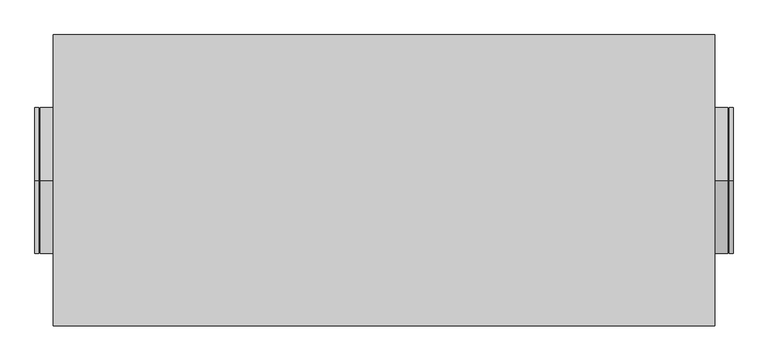
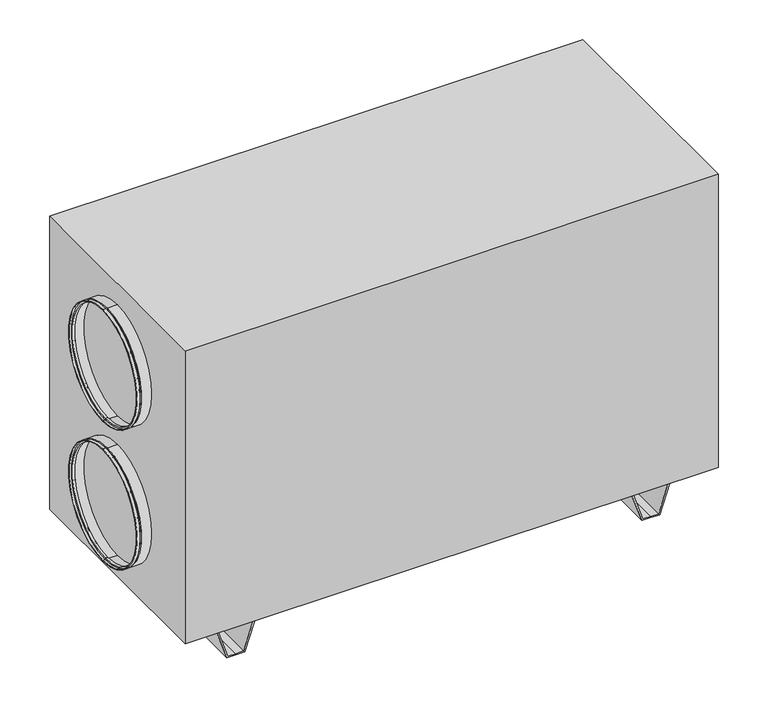
"""IFC4 building model written with IfcOpenShell, lengths in millimetres: proxy geometry."""

from ifc_helpers import new_model, si_unit, frame, origin, place, context, project, spatial, polyline, circle_curve, outline, extrude, source, transform, mapped, element, save
from ifc_brep_helpers import plane_surface, cylinder_surface, revolved_surface, advanced_brep


def mechanical_equipment_c5ae9dd8(model_context):
    return source(origin(), model_context, "Body", "SolidModel", [
        advanced_brep(
        [(942.5, 0.0, 214.0), (942.5, 0.0, 614.0), (952.5, 0.0, 614.0), (952.5, 0.0, 214.0), (942.5, 0.0, 219.0), (942.5, 0.0, 609.0), (937.5, 0.0, 219.0), (937.5, 0.0, 609.0), (937.5, 0.0, 214.0), (937.5, 0.0, 614.0), (902.5, 0.0, 214.0), (902.5, 0.0, 614.0), (902.5, 0.0, 216.0), (902.5, 0.0, 612.0), (935.5, 0.0, 216.0), (935.5, 0.0, 612.0), (935.5, 0.0, 221.0), (935.5, 0.0, 607.0), (944.5, 0.0, 221.0), (944.5, 0.0, 607.0), (944.5, 0.0, 216.0), (944.5, 0.0, 612.0), (952.5, 0.0, 216.0), (952.5, 0.0, 612.0)],
        [
            (0, 1, circle_curve(frame((942.5, 0.0, 414.0), z_axis=(1.0, 0.0, 0.0), x_axis=(0.0, 0.0, 1.0)), 200.0)),
            (1, 2),
            (2, 3, circle_curve(frame((952.5, 0.0, 414.0), z_axis=(-1.0, 0.0, 0.0), x_axis=(0.0, 0.0, 1.0)), 200.0)),
            (3, 0),
            (1, 0, circle_curve(frame((942.5, 0.0, 414.0), z_axis=(1.0, 0.0, 0.0), x_axis=(0.0, 0.0, 1.0)), 200.0)),
            (3, 2, circle_curve(frame((952.5, 0.0, 414.0), z_axis=(-1.0, 0.0, 0.0), x_axis=(0.0, 0.0, 1.0)), 200.0)),
            (4, 5, circle_curve(frame((942.5, 0.0, 414.0), z_axis=(1.0, 0.0, 0.0), x_axis=(0.0, 0.0, 1.0)), 195.0)),
            (5, 1),
            (0, 4),
            (5, 4, circle_curve(frame((942.5, 0.0, 414.0), z_axis=(1.0, 0.0, 0.0), x_axis=(0.0, 0.0, 1.0)), 195.0)),
            (6, 7, circle_curve(frame((937.5, 0.0, 414.0), z_axis=(1.0, 0.0, 0.0), x_axis=(0.0, 0.0, 1.0)), 195.0)),
            (7, 5),
            (4, 6),
            (7, 6, circle_curve(frame((937.5, 0.0, 414.0), z_axis=(1.0, 0.0, 0.0), x_axis=(0.0, 0.0, 1.0)), 195.0)),
            (8, 9, circle_curve(frame((937.5, 0.0, 414.0), z_axis=(1.0, 0.0, 0.0), x_axis=(0.0, 0.0, 1.0)), 200.0)),
            (9, 7),
            (6, 8),
            (9, 8, circle_curve(frame((937.5, 0.0, 414.0), z_axis=(1.0, 0.0, 0.0), x_axis=(0.0, 0.0, 1.0)), 200.0)),
            (10, 11, circle_curve(frame((902.5, 0.0, 414.0), z_axis=(1.0, 0.0, 0.0), x_axis=(0.0, 0.0, 1.0)), 200.0)),
            (11, 9),
            (8, 10),
            (11, 10, circle_curve(frame((902.5, 0.0, 414.0), z_axis=(1.0, 0.0, 0.0), x_axis=(0.0, 0.0, 1.0)), 200.0)),
            (12, 13, circle_curve(frame((902.5, 0.0, 414.0), z_axis=(1.0, 0.0, 0.0), x_axis=(0.0, 0.0, 1.0)), 198.0)),
            (13, 11),
            (10, 12),
            (13, 12, circle_curve(frame((902.5, 0.0, 414.0), z_axis=(1.0, 0.0, 0.0), x_axis=(0.0, 0.0, 1.0)), 198.0)),
            (14, 15, circle_curve(frame((935.5, 0.0, 414.0), z_axis=(1.0, 0.0, 0.0), x_axis=(0.0, 0.0, 1.0)), 198.0)),
            (15, 13),
            (12, 14),
            (15, 14, circle_curve(frame((935.5, 0.0, 414.0), z_axis=(1.0, 0.0, 0.0), x_axis=(0.0, 0.0, 1.0)), 198.0)),
            (16, 17, circle_curve(frame((935.5, 0.0, 414.0), z_axis=(1.0, 0.0, 0.0), x_axis=(0.0, 0.0, 1.0)), 193.0)),
            (17, 15),
            (14, 16),
            (17, 16, circle_curve(frame((935.5, 0.0, 414.0), z_axis=(1.0, 0.0, 0.0), x_axis=(0.0, 0.0, 1.0)), 193.0)),
            (18, 19, circle_curve(frame((944.5, 0.0, 414.0), z_axis=(1.0, 0.0, 0.0), x_axis=(0.0, 0.0, 1.0)), 193.0)),
            (19, 17),
            (16, 18),
            (19, 18, circle_curve(frame((944.5, 0.0, 414.0), z_axis=(1.0, 0.0, 0.0), x_axis=(0.0, 0.0, 1.0)), 193.0)),
            (20, 21, circle_curve(frame((944.5, 0.0, 414.0), z_axis=(1.0, 0.0, 0.0), x_axis=(0.0, 0.0, 1.0)), 198.0)),
            (21, 19),
            (18, 20),
            (21, 20, circle_curve(frame((944.5, 0.0, 414.0), z_axis=(1.0, 0.0, 0.0), x_axis=(0.0, 0.0, 1.0)), 198.0)),
            (22, 23, circle_curve(frame((952.5, 0.0, 414.0), z_axis=(1.0, 0.0, 0.0), x_axis=(0.0, 0.0, 1.0)), 198.0)),
            (23, 21),
            (20, 22),
            (23, 22, circle_curve(frame((952.5, 0.0, 414.0), z_axis=(1.0, 0.0, 0.0), x_axis=(0.0, 0.0, 1.0)), 198.0)),
            (2, 23),
            (22, 3),
        ],
        [
            cylinder_surface(frame((2487.5440172, 0.0, 414.0), z_axis=(-1.0, 0.0, 0.0), x_axis=(0.0, 0.0, 1.0)), 200.0),
            plane_surface(frame((942.5, 0.0, 414.0), z_axis=(-1.0, 0.0, 0.0), x_axis=(0.0, 0.0, 1.0))),
            cylinder_surface(frame((2487.5440172, 0.0, 414.0), z_axis=(-1.0, 0.0, 0.0), x_axis=(0.0, 0.0, 1.0)), 195.0),
            plane_surface(frame((937.5, 0.0, 414.0), z_axis=(1.0, 0.0, 0.0), x_axis=(0.0, 0.0, 1.0))),
            plane_surface(frame((902.5, 0.0, 414.0), z_axis=(-1.0, 0.0, 0.0), x_axis=(0.0, 0.0, 1.0))),
            revolved_surface(polyline([(902.5, 0.0, 612.0), (935.5, 0.0, 612.0)]), (2487.5440172, 0.0, 414.0), (-1.0, 0.0, 0.0)),
            plane_surface(frame((935.5, 0.0, 414.0), z_axis=(-1.0, 0.0, 0.0), x_axis=(0.0, 0.0, 1.0))),
            revolved_surface(polyline([(935.5, 0.0, 607.0), (944.5, 0.0, 607.0)]), (2487.5440172, 0.0, 414.0), (-1.0, 0.0, 0.0)),
            plane_surface(frame((944.5, 0.0, 414.0), z_axis=(1.0, 0.0, 0.0), x_axis=(0.0, 0.0, 1.0))),
            revolved_surface(polyline([(944.5, 0.0, 612.0), (952.5, 0.0, 612.0)]), (2487.5440172, 0.0, 414.0), (-1.0, 0.0, 0.0)),
            plane_surface(frame((952.5, 0.0, 414.0), z_axis=(1.0, 0.0, 0.0), x_axis=(0.0, 0.0, 1.0))),
        ],
        [
            (0, [[1, 2, 3, 4]]),
            (0, [[5, -4, 6, -2]]),
            (1, [[7, 8, -1, 9]]),
            (1, [[10, -9, -5, -8]]),
            (2, [[11, 12, -7, 13]]),
            (2, [[14, -13, -10, -12]]),
            (3, [[15, 16, -11, 17]]),
            (3, [[18, -17, -14, -16]]),
            (0, [[19, 20, -15, 21]]),
            (0, [[22, -21, -18, -20]]),
            (4, [[23, 24, -19, 25]]),
            (4, [[26, -25, -22, -24]]),
            (5, [[27, 28, -23, 29]]),
            (5, [[30, -29, -26, -28]]),
            (6, [[31, 32, -27, 33]]),
            (6, [[34, -33, -30, -32]]),
            (7, [[35, 36, -31, 37]]),
            (7, [[38, -37, -34, -36]]),
            (8, [[39, 40, -35, 41]]),
            (8, [[42, -41, -38, -40]]),
            (9, [[43, 44, -39, 45]]),
            (9, [[46, -45, -42, -44]]),
            (10, [[-3, 47, -43, 48]]),
            (10, [[-6, -48, -46, -47]]),
        ],
    ),
        advanced_brep(
        [(942.5, 0.0, 714.0), (942.5, 0.0, 1114.0), (952.5, 0.0, 1114.0), (952.5, 0.0, 714.0), (942.5, 0.0, 719.0), (942.5, 0.0, 1109.0), (937.5, 0.0, 719.0), (937.5, 0.0, 1109.0), (937.5, 0.0, 714.0), (937.5, 0.0, 1114.0), (902.5, 0.0, 714.0), (902.5, 0.0, 1114.0), (902.5, 0.0, 716.0), (902.5, 0.0, 1112.0), (935.5, 0.0, 716.0), (935.5, 0.0, 1112.0), (935.5, 0.0, 721.0), (935.5, 0.0, 1107.0), (944.5, 0.0, 721.0), (944.5, 0.0, 1107.0), (944.5, 0.0, 716.0), (944.5, 0.0, 1112.0), (952.5, 0.0, 716.0), (952.5, 0.0, 1112.0)],
        [
            (0, 1, circle_curve(frame((942.5, 0.0, 914.0), z_axis=(1.0, 0.0, 0.0), x_axis=(0.0, 0.0, 1.0)), 200.0)),
            (1, 2),
            (2, 3, circle_curve(frame((952.5, 0.0, 914.0), z_axis=(-1.0, 0.0, 0.0), x_axis=(0.0, 0.0, 1.0)), 200.0)),
            (3, 0),
            (1, 0, circle_curve(frame((942.5, 0.0, 914.0), z_axis=(1.0, 0.0, 0.0), x_axis=(0.0, 0.0, 1.0)), 200.0)),
            (3, 2, circle_curve(frame((952.5, 0.0, 914.0), z_axis=(-1.0, 0.0, 0.0), x_axis=(0.0, 0.0, 1.0)), 200.0)),
            (4, 5, circle_curve(frame((942.5, 0.0, 914.0), z_axis=(1.0, 0.0, 0.0), x_axis=(0.0, 0.0, 1.0)), 195.0)),
            (5, 1),
            (0, 4),
            (5, 4, circle_curve(frame((942.5, 0.0, 914.0), z_axis=(1.0, 0.0, 0.0), x_axis=(0.0, 0.0, 1.0)), 195.0)),
            (6, 7, circle_curve(frame((937.5, 0.0, 914.0), z_axis=(1.0, 0.0, 0.0), x_axis=(0.0, 0.0, 1.0)), 195.0)),
            (7, 5),
            (4, 6),
            (7, 6, circle_curve(frame((937.5, 0.0, 914.0), z_axis=(1.0, 0.0, 0.0), x_axis=(0.0, 0.0, 1.0)), 195.0)),
            (8, 9, circle_curve(frame((937.5, 0.0, 914.0), z_axis=(1.0, 0.0, 0.0), x_axis=(0.0, 0.0, 1.0)), 200.0)),
            (9, 7),
            (6, 8),
            (9, 8, circle_curve(frame((937.5, 0.0, 914.0), z_axis=(1.0, 0.0, 0.0), x_axis=(0.0, 0.0, 1.0)), 200.0)),
            (10, 11, circle_curve(frame((902.5, 0.0, 914.0), z_axis=(1.0, 0.0, 0.0), x_axis=(0.0, 0.0, 1.0)), 200.0)),
            (11, 9),
            (8, 10),
            (11, 10, circle_curve(frame((902.5, 0.0, 914.0), z_axis=(1.0, 0.0, 0.0), x_axis=(0.0, 0.0, 1.0)), 200.0)),
            (12, 13, circle_curve(frame((902.5, 0.0, 914.0), z_axis=(1.0, 0.0, 0.0), x_axis=(0.0, 0.0, 1.0)), 198.0)),
            (13, 11),
            (10, 12),
            (13, 12, circle_curve(frame((902.5, 0.0, 914.0), z_axis=(1.0, 0.0, 0.0), x_axis=(0.0, 0.0, 1.0)), 198.0)),
            (14, 15, circle_curve(frame((935.5, 0.0, 914.0), z_axis=(1.0, 0.0, 0.0), x_axis=(0.0, 0.0, 1.0)), 198.0)),
            (15, 13),
            (12, 14),
            (15, 14, circle_curve(frame((935.5, 0.0, 914.0), z_axis=(1.0, 0.0, 0.0), x_axis=(0.0, 0.0, 1.0)), 198.0)),
            (16, 17, circle_curve(frame((935.5, 0.0, 914.0), z_axis=(1.0, 0.0, 0.0), x_axis=(0.0, 0.0, 1.0)), 193.0)),
            (17, 15),
            (14, 16),
            (17, 16, circle_curve(frame((935.5, 0.0, 914.0), z_axis=(1.0, 0.0, 0.0), x_axis=(0.0, 0.0, 1.0)), 193.0)),
            (18, 19, circle_curve(frame((944.5, 0.0, 914.0), z_axis=(1.0, 0.0, 0.0), x_axis=(0.0, 0.0, 1.0)), 193.0)),
            (19, 17),
            (16, 18),
            (19, 18, circle_curve(frame((944.5, 0.0, 914.0), z_axis=(1.0, 0.0, 0.0), x_axis=(0.0, 0.0, 1.0)), 193.0)),
            (20, 21, circle_curve(frame((944.5, 0.0, 914.0), z_axis=(1.0, 0.0, 0.0), x_axis=(0.0, 0.0, 1.0)), 198.0)),
            (21, 19),
            (18, 20),
            (21, 20, circle_curve(frame((944.5, 0.0, 914.0), z_axis=(1.0, 0.0, 0.0), x_axis=(0.0, 0.0, 1.0)), 198.0)),
            (22, 23, circle_curve(frame((952.5, 0.0, 914.0), z_axis=(1.0, 0.0, 0.0), x_axis=(0.0, 0.0, 1.0)), 198.0)),
            (23, 21),
            (20, 22),
            (23, 22, circle_curve(frame((952.5, 0.0, 914.0), z_axis=(1.0, 0.0, 0.0), x_axis=(0.0, 0.0, 1.0)), 198.0)),
            (2, 23),
            (22, 3),
        ],
        [
            cylinder_surface(frame((2487.5440172, 0.0, 914.0), z_axis=(-1.0, 0.0, 0.0), x_axis=(0.0, 0.0, 1.0)), 200.0),
            plane_surface(frame((942.5, 0.0, 914.0), z_axis=(-1.0, 0.0, 0.0), x_axis=(0.0, 0.0, 1.0))),
            cylinder_surface(frame((2487.5440172, 0.0, 914.0), z_axis=(-1.0, 0.0, 0.0), x_axis=(0.0, 0.0, 1.0)), 195.0),
            plane_surface(frame((937.5, 0.0, 914.0), z_axis=(1.0, 0.0, 0.0), x_axis=(0.0, 0.0, 1.0))),
            plane_surface(frame((902.5, 0.0, 914.0), z_axis=(-1.0, 0.0, 0.0), x_axis=(0.0, 0.0, 1.0))),
            revolved_surface(polyline([(902.5, 0.0, 1112.0), (935.5, 0.0, 1112.0)]), (2487.5440172, 0.0, 914.0), (-1.0, 0.0, 0.0)),
            plane_surface(frame((935.5, 0.0, 914.0), z_axis=(-1.0, 0.0, 0.0), x_axis=(0.0, 0.0, 1.0))),
            revolved_surface(polyline([(935.5, 0.0, 1107.0), (944.5, 0.0, 1107.0)]), (2487.5440172, 0.0, 914.0), (-1.0, 0.0, 0.0)),
            plane_surface(frame((944.5, 0.0, 914.0), z_axis=(1.0, 0.0, 0.0), x_axis=(0.0, 0.0, 1.0))),
            revolved_surface(polyline([(944.5, 0.0, 1112.0), (952.5, 0.0, 1112.0)]), (2487.5440172, 0.0, 914.0), (-1.0, 0.0, 0.0)),
            plane_surface(frame((952.5, 0.0, 914.0), z_axis=(1.0, 0.0, 0.0), x_axis=(0.0, 0.0, 1.0))),
        ],
        [
            (0, [[1, 2, 3, 4]]),
            (0, [[5, -4, 6, -2]]),
            (1, [[7, 8, -1, 9]]),
            (1, [[10, -9, -5, -8]]),
            (2, [[11, 12, -7, 13]]),
            (2, [[14, -13, -10, -12]]),
            (3, [[15, 16, -11, 17]]),
            (3, [[18, -17, -14, -16]]),
            (0, [[19, 20, -15, 21]]),
            (0, [[22, -21, -18, -20]]),
            (4, [[23, 24, -19, 25]]),
            (4, [[26, -25, -22, -24]]),
            (5, [[27, 28, -23, 29]]),
            (5, [[30, -29, -26, -28]]),
            (6, [[31, 32, -27, 33]]),
            (6, [[34, -33, -30, -32]]),
            (7, [[35, 36, -31, 37]]),
            (7, [[38, -37, -34, -36]]),
            (8, [[39, 40, -35, 41]]),
            (8, [[42, -41, -38, -40]]),
            (9, [[43, 44, -39, 45]]),
            (9, [[46, -45, -42, -44]]),
            (10, [[-3, 47, -43, 48]]),
            (10, [[-6, -48, -46, -47]]),
        ],
    ),
        advanced_brep(
        [(-942.5, 0.0, 1114.0), (-942.5, 0.0, 714.0), (-952.5, 0.0, 714.0), (-952.5, 0.0, 1114.0), (-942.5, 0.0, 1109.0), (-942.5, 0.0, 719.0), (-937.5, 0.0, 1109.0), (-937.5, 0.0, 719.0), (-937.5, 0.0, 1114.0), (-937.5, 0.0, 714.0), (-902.5, 0.0, 1114.0), (-902.5, 0.0, 714.0), (-902.5, 0.0, 1112.0), (-902.5, 0.0, 716.0), (-935.5, 0.0, 1112.0), (-935.5, 0.0, 716.0), (-935.5, 0.0, 1107.0), (-935.5, 0.0, 721.0), (-944.5, 0.0, 1107.0), (-944.5, 0.0, 721.0), (-944.5, 0.0, 1112.0), (-944.5, 0.0, 716.0), (-952.5, 0.0, 1112.0), (-952.5, 0.0, 716.0)],
        [
            (0, 1, circle_curve(frame((-942.5, 0.0, 914.0), z_axis=(-1.0, 0.0, 0.0), x_axis=(0.0, 0.0, -1.0)), 200.0)),
            (1, 2),
            (2, 3, circle_curve(frame((-952.5, 0.0, 914.0), z_axis=(1.0, 0.0, 0.0), x_axis=(0.0, 0.0, -1.0)), 200.0)),
            (3, 0),
            (1, 0, circle_curve(frame((-942.5, 0.0, 914.0), z_axis=(-1.0, 0.0, 0.0), x_axis=(0.0, 0.0, -1.0)), 200.0)),
            (3, 2, circle_curve(frame((-952.5, 0.0, 914.0), z_axis=(1.0, 0.0, 0.0), x_axis=(0.0, 0.0, -1.0)), 200.0)),
            (4, 5, circle_curve(frame((-942.5, 0.0, 914.0), z_axis=(-1.0, 0.0, 0.0), x_axis=(0.0, 0.0, -1.0)), 195.0)),
            (5, 1),
            (0, 4),
            (5, 4, circle_curve(frame((-942.5, 0.0, 914.0), z_axis=(-1.0, 0.0, 0.0), x_axis=(0.0, 0.0, -1.0)), 195.0)),
            (6, 7, circle_curve(frame((-937.5, 0.0, 914.0), z_axis=(-1.0, 0.0, 0.0), x_axis=(0.0, 0.0, -1.0)), 195.0)),
            (7, 5),
            (4, 6),
            (7, 6, circle_curve(frame((-937.5, 0.0, 914.0), z_axis=(-1.0, 0.0, 0.0), x_axis=(0.0, 0.0, -1.0)), 195.0)),
            (8, 9, circle_curve(frame((-937.5, 0.0, 914.0), z_axis=(-1.0, 0.0, 0.0), x_axis=(0.0, 0.0, -1.0)), 200.0)),
            (9, 7),
            (6, 8),
            (9, 8, circle_curve(frame((-937.5, 0.0, 914.0), z_axis=(-1.0, 0.0, 0.0), x_axis=(0.0, 0.0, -1.0)), 200.0)),
            (10, 11, circle_curve(frame((-902.5, 0.0, 914.0), z_axis=(-1.0, 0.0, 0.0), x_axis=(0.0, 0.0, -1.0)), 200.0)),
            (11, 9),
            (8, 10),
            (11, 10, circle_curve(frame((-902.5, 0.0, 914.0), z_axis=(-1.0, 0.0, 0.0), x_axis=(0.0, 0.0, -1.0)), 200.0)),
            (12, 13, circle_curve(frame((-902.5, 0.0, 914.0), z_axis=(-1.0, 0.0, 0.0), x_axis=(0.0, 0.0, -1.0)), 198.0)),
            (13, 11),
            (10, 12),
            (13, 12, circle_curve(frame((-902.5, 0.0, 914.0), z_axis=(-1.0, 0.0, 0.0), x_axis=(0.0, 0.0, -1.0)), 198.0)),
            (14, 15, circle_curve(frame((-935.5, 0.0, 914.0), z_axis=(-1.0, 0.0, 0.0), x_axis=(0.0, 0.0, -1.0)), 198.0)),
            (15, 13),
            (12, 14),
            (15, 14, circle_curve(frame((-935.5, 0.0, 914.0), z_axis=(-1.0, 0.0, 0.0), x_axis=(0.0, 0.0, -1.0)), 198.0)),
            (16, 17, circle_curve(frame((-935.5, 0.0, 914.0), z_axis=(-1.0, 0.0, 0.0), x_axis=(0.0, 0.0, -1.0)), 193.0)),
            (17, 15),
            (14, 16),
            (17, 16, circle_curve(frame((-935.5, 0.0, 914.0), z_axis=(-1.0, 0.0, 0.0), x_axis=(0.0, 0.0, -1.0)), 193.0)),
            (18, 19, circle_curve(frame((-944.5, 0.0, 914.0), z_axis=(-1.0, 0.0, 0.0), x_axis=(0.0, 0.0, -1.0)), 193.0)),
            (19, 17),
            (16, 18),
            (19, 18, circle_curve(frame((-944.5, 0.0, 914.0), z_axis=(-1.0, 0.0, 0.0), x_axis=(0.0, 0.0, -1.0)), 193.0)),
            (20, 21, circle_curve(frame((-944.5, 0.0, 914.0), z_axis=(-1.0, 0.0, 0.0), x_axis=(0.0, 0.0, -1.0)), 198.0)),
            (21, 19),
            (18, 20),
            (21, 20, circle_curve(frame((-944.5, 0.0, 914.0), z_axis=(-1.0, 0.0, 0.0), x_axis=(0.0, 0.0, -1.0)), 198.0)),
            (22, 23, circle_curve(frame((-952.5, 0.0, 914.0), z_axis=(-1.0, 0.0, 0.0), x_axis=(0.0, 0.0, -1.0)), 198.0)),
            (23, 21),
            (20, 22),
            (23, 22, circle_curve(frame((-952.5, 0.0, 914.0), z_axis=(-1.0, 0.0, 0.0), x_axis=(0.0, 0.0, -1.0)), 198.0)),
            (2, 23),
            (22, 3),
        ],
        [
            cylinder_surface(frame((-2487.5440172, 0.0, 914.0), z_axis=(1.0, 0.0, 0.0), x_axis=(0.0, 0.0, -1.0)), 200.0),
            plane_surface(frame((-942.5, 0.0, 914.0), z_axis=(1.0, 0.0, 0.0), x_axis=(0.0, 0.0, -1.0))),
            cylinder_surface(frame((-2487.5440172, 0.0, 914.0), z_axis=(1.0, 0.0, 0.0), x_axis=(0.0, 0.0, -1.0)), 195.0),
            plane_surface(frame((-937.5, 0.0, 914.0), z_axis=(-1.0, 0.0, 0.0), x_axis=(0.0, 0.0, -1.0))),
            plane_surface(frame((-902.5, 0.0, 914.0), z_axis=(1.0, 0.0, 0.0), x_axis=(0.0, 0.0, -1.0))),
            revolved_surface(polyline([(-902.5, 0.0, 716.0), (-935.5, 0.0, 716.0)]), (-2487.5440172, 0.0, 914.0), (1.0, 0.0, 0.0)),
            plane_surface(frame((-935.5, 0.0, 914.0), z_axis=(1.0, 0.0, 0.0), x_axis=(0.0, 0.0, -1.0))),
            revolved_surface(polyline([(-935.5, 0.0, 721.0), (-944.5, 0.0, 721.0)]), (-2487.5440172, 0.0, 914.0), (1.0, 0.0, 0.0)),
            plane_surface(frame((-944.5, 0.0, 914.0), z_axis=(-1.0, 0.0, 0.0), x_axis=(0.0, 0.0, -1.0))),
            revolved_surface(polyline([(-944.5, 0.0, 716.0), (-952.5, 0.0, 716.0)]), (-2487.5440172, 0.0, 914.0), (1.0, 0.0, 0.0)),
            plane_surface(frame((-952.5, 0.0, 914.0), z_axis=(-1.0, 0.0, 0.0), x_axis=(0.0, 0.0, -1.0))),
        ],
        [
            (0, [[1, 2, 3, 4]]),
            (0, [[5, -4, 6, -2]]),
            (1, [[7, 8, -1, 9]]),
            (1, [[10, -9, -5, -8]]),
            (2, [[11, 12, -7, 13]]),
            (2, [[14, -13, -10, -12]]),
            (3, [[15, 16, -11, 17]]),
            (3, [[18, -17, -14, -16]]),
            (0, [[19, 20, -15, 21]]),
            (0, [[22, -21, -18, -20]]),
            (4, [[23, 24, -19, 25]]),
            (4, [[26, -25, -22, -24]]),
            (5, [[27, 28, -23, 29]]),
            (5, [[30, -29, -26, -28]]),
            (6, [[31, 32, -27, 33]]),
            (6, [[34, -33, -30, -32]]),
            (7, [[35, 36, -31, 37]]),
            (7, [[38, -37, -34, -36]]),
            (8, [[39, 40, -35, 41]]),
            (8, [[42, -41, -38, -40]]),
            (9, [[43, 44, -39, 45]]),
            (9, [[46, -45, -42, -44]]),
            (10, [[-3, 47, -43, 48]]),
            (10, [[-6, -48, -46, -47]]),
        ],
    ),
        advanced_brep(
        [(-942.5, 0.0, 614.0), (-942.5, 0.0, 214.0), (-952.5, 0.0, 214.0), (-952.5, 0.0, 614.0), (-942.5, 0.0, 609.0), (-942.5, 0.0, 219.0), (-937.5, 0.0, 609.0), (-937.5, 0.0, 219.0), (-937.5, 0.0, 614.0), (-937.5, 0.0, 214.0), (-902.5, 0.0, 614.0), (-902.5, 0.0, 214.0), (-902.5, 0.0, 612.0), (-902.5, 0.0, 216.0), (-935.5, 0.0, 612.0), (-935.5, 0.0, 216.0), (-935.5, 0.0, 607.0), (-935.5, 0.0, 221.0), (-944.5, 0.0, 607.0), (-944.5, 0.0, 221.0), (-944.5, 0.0, 612.0), (-944.5, 0.0, 216.0), (-952.5, 0.0, 612.0), (-952.5, 0.0, 216.0)],
        [
            (0, 1, circle_curve(frame((-942.5, 0.0, 414.0), z_axis=(-1.0, 0.0, 0.0), x_axis=(0.0, 0.0, -1.0)), 200.0)),
            (1, 2),
            (2, 3, circle_curve(frame((-952.5, 0.0, 414.0), z_axis=(1.0, 0.0, 0.0), x_axis=(0.0, 0.0, -1.0)), 200.0)),
            (3, 0),
            (1, 0, circle_curve(frame((-942.5, 0.0, 414.0), z_axis=(-1.0, 0.0, 0.0), x_axis=(0.0, 0.0, -1.0)), 200.0)),
            (3, 2, circle_curve(frame((-952.5, 0.0, 414.0), z_axis=(1.0, 0.0, 0.0), x_axis=(0.0, 0.0, -1.0)), 200.0)),
            (4, 5, circle_curve(frame((-942.5, 0.0, 414.0), z_axis=(-1.0, 0.0, 0.0), x_axis=(0.0, 0.0, -1.0)), 195.0)),
            (5, 1),
            (0, 4),
            (5, 4, circle_curve(frame((-942.5, 0.0, 414.0), z_axis=(-1.0, 0.0, 0.0), x_axis=(0.0, 0.0, -1.0)), 195.0)),
            (6, 7, circle_curve(frame((-937.5, 0.0, 414.0), z_axis=(-1.0, 0.0, 0.0), x_axis=(0.0, 0.0, -1.0)), 195.0)),
            (7, 5),
            (4, 6),
            (7, 6, circle_curve(frame((-937.5, 0.0, 414.0), z_axis=(-1.0, 0.0, 0.0), x_axis=(0.0, 0.0, -1.0)), 195.0)),
            (8, 9, circle_curve(frame((-937.5, 0.0, 414.0), z_axis=(-1.0, 0.0, 0.0), x_axis=(0.0, 0.0, -1.0)), 200.0)),
            (9, 7),
            (6, 8),
            (9, 8, circle_curve(frame((-937.5, 0.0, 414.0), z_axis=(-1.0, 0.0, 0.0), x_axis=(0.0, 0.0, -1.0)), 200.0)),
            (10, 11, circle_curve(frame((-902.5, 0.0, 414.0), z_axis=(-1.0, 0.0, 0.0), x_axis=(0.0, 0.0, -1.0)), 200.0)),
            (11, 9),
            (8, 10),
            (11, 10, circle_curve(frame((-902.5, 0.0, 414.0), z_axis=(-1.0, 0.0, 0.0), x_axis=(0.0, 0.0, -1.0)), 200.0)),
            (12, 13, circle_curve(frame((-902.5, 0.0, 414.0), z_axis=(-1.0, 0.0, 0.0), x_axis=(0.0, 0.0, -1.0)), 198.0)),
            (13, 11),
            (10, 12),
            (13, 12, circle_curve(frame((-902.5, 0.0, 414.0), z_axis=(-1.0, 0.0, 0.0), x_axis=(0.0, 0.0, -1.0)), 198.0)),
            (14, 15, circle_curve(frame((-935.5, 0.0, 414.0), z_axis=(-1.0, 0.0, 0.0), x_axis=(0.0, 0.0, -1.0)), 198.0)),
            (15, 13),
            (12, 14),
            (15, 14, circle_curve(frame((-935.5, 0.0, 414.0), z_axis=(-1.0, 0.0, 0.0), x_axis=(0.0, 0.0, -1.0)), 198.0)),
            (16, 17, circle_curve(frame((-935.5, 0.0, 414.0), z_axis=(-1.0, 0.0, 0.0), x_axis=(0.0, 0.0, -1.0)), 193.0)),
            (17, 15),
            (14, 16),
            (17, 16, circle_curve(frame((-935.5, 0.0, 414.0), z_axis=(-1.0, 0.0, 0.0), x_axis=(0.0, 0.0, -1.0)), 193.0)),
            (18, 19, circle_curve(frame((-944.5, 0.0, 414.0), z_axis=(-1.0, 0.0, 0.0), x_axis=(0.0, 0.0, -1.0)), 193.0)),
            (19, 17),
            (16, 18),
            (19, 18, circle_curve(frame((-944.5, 0.0, 414.0), z_axis=(-1.0, 0.0, 0.0), x_axis=(0.0, 0.0, -1.0)), 193.0)),
            (20, 21, circle_curve(frame((-944.5, 0.0, 414.0), z_axis=(-1.0, 0.0, 0.0), x_axis=(0.0, 0.0, -1.0)), 198.0)),
            (21, 19),
            (18, 20),
            (21, 20, circle_curve(frame((-944.5, 0.0, 414.0), z_axis=(-1.0, 0.0, 0.0), x_axis=(0.0, 0.0, -1.0)), 198.0)),
            (22, 23, circle_curve(frame((-952.5, 0.0, 414.0), z_axis=(-1.0, 0.0, 0.0), x_axis=(0.0, 0.0, -1.0)), 198.0)),
            (23, 21),
            (20, 22),
            (23, 22, circle_curve(frame((-952.5, 0.0, 414.0), z_axis=(-1.0, 0.0, 0.0), x_axis=(0.0, 0.0, -1.0)), 198.0)),
            (2, 23),
            (22, 3),
        ],
        [
            cylinder_surface(frame((-2487.5440172, 0.0, 414.0), z_axis=(1.0, 0.0, 0.0), x_axis=(0.0, 0.0, -1.0)), 200.0),
            plane_surface(frame((-942.5, 0.0, 414.0), z_axis=(1.0, 0.0, 0.0), x_axis=(0.0, 0.0, -1.0))),
            cylinder_surface(frame((-2487.5440172, 0.0, 414.0), z_axis=(1.0, 0.0, 0.0), x_axis=(0.0, 0.0, -1.0)), 195.0),
            plane_surface(frame((-937.5, 0.0, 414.0), z_axis=(-1.0, 0.0, 0.0), x_axis=(0.0, 0.0, -1.0))),
            plane_surface(frame((-902.5, 0.0, 414.0), z_axis=(1.0, 0.0, 0.0), x_axis=(0.0, 0.0, -1.0))),
            revolved_surface(polyline([(-902.5, 0.0, 216.0), (-935.5, 0.0, 216.0)]), (-2487.5440172, 0.0, 414.0), (1.0, 0.0, 0.0)),
            plane_surface(frame((-935.5, 0.0, 414.0), z_axis=(1.0, 0.0, 0.0), x_axis=(0.0, 0.0, -1.0))),
            revolved_surface(polyline([(-935.5, 0.0, 221.0), (-944.5, 0.0, 221.0)]), (-2487.5440172, 0.0, 414.0), (1.0, 0.0, 0.0)),
            plane_surface(frame((-944.5, 0.0, 414.0), z_axis=(-1.0, 0.0, 0.0), x_axis=(0.0, 0.0, -1.0))),
            revolved_surface(polyline([(-944.5, 0.0, 216.0), (-952.5, 0.0, 216.0)]), (-2487.5440172, 0.0, 414.0), (1.0, 0.0, 0.0)),
            plane_surface(frame((-952.5, 0.0, 414.0), z_axis=(-1.0, 0.0, 0.0), x_axis=(0.0, 0.0, -1.0))),
        ],
        [
            (0, [[1, 2, 3, 4]]),
            (0, [[5, -4, 6, -2]]),
            (1, [[7, 8, -1, 9]]),
            (1, [[10, -9, -5, -8]]),
            (2, [[11, 12, -7, 13]]),
            (2, [[14, -13, -10, -12]]),
            (3, [[15, 16, -11, 17]]),
            (3, [[18, -17, -14, -16]]),
            (0, [[19, 20, -15, 21]]),
            (0, [[22, -21, -18, -20]]),
            (4, [[23, 24, -19, 25]]),
            (4, [[26, -25, -22, -24]]),
            (5, [[27, 28, -23, 29]]),
            (5, [[30, -29, -26, -28]]),
            (6, [[31, 32, -27, 33]]),
            (6, [[34, -33, -30, -32]]),
            (7, [[35, 36, -31, 37]]),
            (7, [[38, -37, -34, -36]]),
            (8, [[39, 40, -35, 41]]),
            (8, [[42, -41, -38, -40]]),
            (9, [[43, 44, -39, 45]]),
            (9, [[46, -45, -42, -44]]),
            (10, [[-3, 47, -43, 48]]),
            (10, [[-6, -48, -46, -47]]),
        ],
    ),
        extrude(outline(polyline([(0.0, 732.5), (140.0, 779.613356), (140.0, 774.3560448), (5.0, 728.8672874), (5.0, 702.5), (5.0, 676.1327126), (140.0, 630.6439552), (140.0, 625.386644), (0.0, 672.5), (0.0, 702.5), (0.0, 732.5)])), frame((0.0, -347.5, 0.0), z_axis=(0.0, 1.0, 0.0), x_axis=(0.0, 0.0, 1.0)), (0.0, 0.0, 1.0), 695.0),
        extrude(outline(polyline([(0.0, -672.5), (140.0, -625.386644), (140.0, -630.6439552), (5.0, -676.1327126), (5.0, -702.5), (5.0, -728.8672874), (140.0, -774.3560448), (140.0, -779.613356), (0.0, -732.5), (0.0, -702.5), (0.0, -672.5)])), frame((0.0, -347.5, 0.0), z_axis=(0.0, 1.0, 0.0), x_axis=(0.0, 0.0, 1.0)), (0.0, 0.0, 1.0), 695.0),
        extrude(outline(polyline([(-902.5, 397.5), (902.5, 397.5), (902.5, -397.5), (-902.5, -397.5), (-902.5, 397.5)])), frame((0.0, 0.0, 140.0), z_axis=(0.0, 0.0, 1.0), x_axis=(1.0, 0.0, 0.0)), (0.0, 0.0, 1.0), 1050.0),
    ])


if __name__ == "__main__":
    model = new_model("IFC4")
    model_context = context("Model", 3, world=origin())
    ifc_project = project(units=[si_unit("LENGTHUNIT", "METRE", prefix="MILLI")], contexts=[model_context])
    site = spatial("IfcSite", under=ifc_project)
    building = spatial("IfcBuilding", under=site)
    placement = place(None, origin())
    mechanical_equipment_shape = mechanical_equipment_c5ae9dd8(model_context)
    element("IfcBuildingElementProxy", 1, Name="Mechanical Equipment", at=placement, inside=building, context=model_context, shape_type="MappedRepresentation", body=[
        mapped(mechanical_equipment_shape, transform((0.0, 0.0, 0.0), x_axis=(1.0, 0.0, 0.0), y_axis=(0.0, 1.0, 0.0), z_axis=(0.0, 0.0, 1.0))),
    ])
    save(model, "model.ifc")
